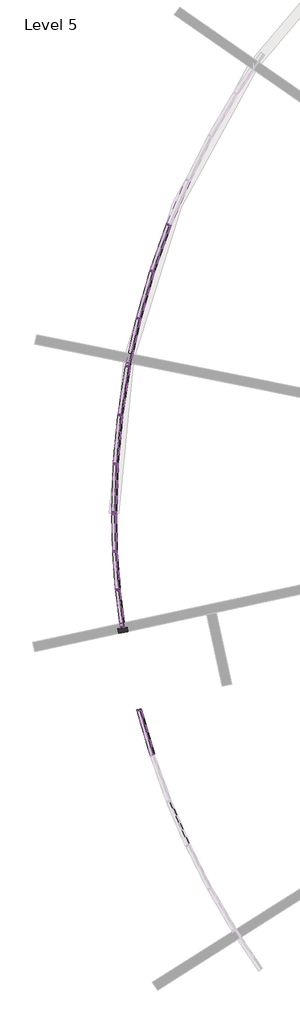
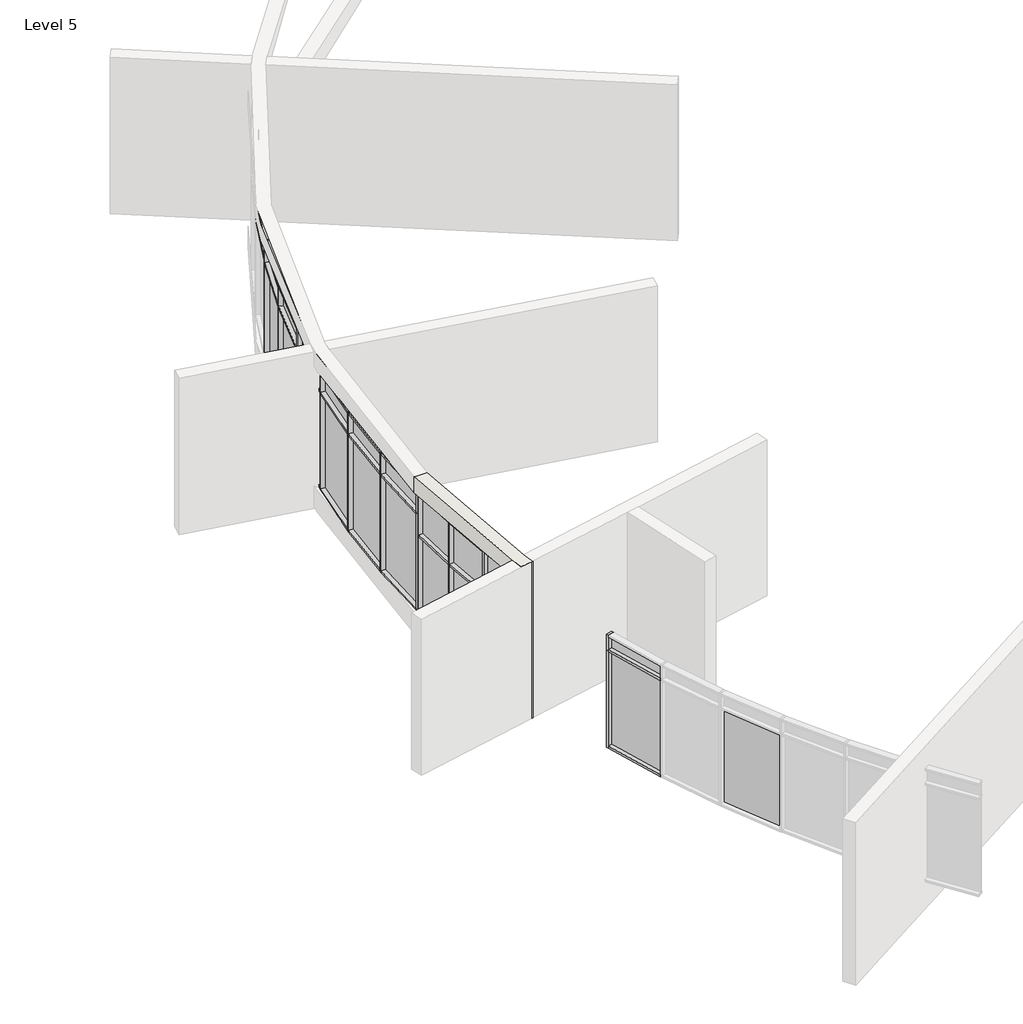
# One storey, part 3 of 10: 55 members, 21 plates, 1 wall.
"""IFC4 building model written with IfcOpenShell, lengths in millimetres."""

import ifcopenshell
import ifcopenshell.guid

model = None  # the IFC model being written
_history = None  # IfcOwnerHistory: only IFC2X3 demands one
_inside = {}  # id of a spatial element -> (the spatial element, [elements in it])
_under = {}  # id of a project, library or spatial element -> (it, [spatial elements below it])
_declared = {}  # id of a project -> (the project, [libraries it declares])
_typed = {}  # id of a type object -> (the type object, [elements of that type])
_made_of = {}  # id of a material, layer set ... -> (it, [elements and type objects made of it])


def new_model(schema):
    """Start an empty IFC model of exactly this schema.

    Asked for "IFC4X3", IfcOpenShell would pick the latest addendum, in which some entities
    have other attributes; the version numbers below select the first issue.
    IFC2X3 requires an IfcOwnerHistory on every rooted entity: one is made here for all.
    """
    global model, _history
    if schema == "IFC4X3":
        model = ifcopenshell.file(schema_version=(4, 3, 0, 0))
    else:
        model = ifcopenshell.file(schema=schema)
    _inside.clear()
    _under.clear()
    _declared.clear()
    _typed.clear()
    _made_of.clear()
    _history = None
    if model.schema == "IFC2X3":
        org = make("IfcOrganization", Name="unknown")
        user = make(
            "IfcPersonAndOrganization",
            ThePerson=make("IfcPerson", FamilyName="unknown"),
            TheOrganization=org,
        )
        app = make(
            "IfcApplication",
            ApplicationDeveloper=org,
            Version="unknown",
            ApplicationFullName="unknown",
            ApplicationIdentifier="unknown",
        )
        _history = make(
            "IfcOwnerHistory",
            OwningUser=user,
            OwningApplication=app,
            ChangeAction="ADDED",
            CreationDate=0,
        )
    return model


def make(cls, **values):
    """One entity of the class cls with the attributes given. An attribute that is None is left unset."""
    return model.create_entity(
        cls, **{name: value for name, value in values.items() if value is not None}
    )


def rooted(cls, **values):
    """An entity with a GlobalId (a new one), such as an element, a storey or a relation."""
    return make(cls, GlobalId=ifcopenshell.guid.new(), OwnerHistory=_history, **values)


def si_unit(unit_type, name, prefix=None):
    """IfcSIUnit, for example si_unit("LENGTHUNIT", "METRE", prefix="MILLI")."""
    return make("IfcSIUnit", UnitType=unit_type, Prefix=prefix, Name=name)


def assignment(units):
    """IfcUnitAssignment: the units of a project."""
    return None if units is None else make("IfcUnitAssignment", Units=units)


def point(xyz):
    """IfcCartesianPoint."""
    return None if xyz is None else make("IfcCartesianPoint", Coordinates=xyz)


def direction(xyz):
    """IfcDirection."""
    return None if xyz is None else make("IfcDirection", DirectionRatios=xyz)


def frame(location, z_axis=None, x_axis=None):
    """IfcAxis2Placement3D, a coordinate frame: its origin and axes. An axis left out is left unset."""
    return make(
        "IfcAxis2Placement3D",
        Location=point(location),
        Axis=direction(z_axis),
        RefDirection=direction(x_axis),
    )


def origin():
    """The frame at (0, 0, 0) with its axes left unset."""
    return frame((0.0, 0.0, 0.0))


def origin_with_axes():
    """The frame at (0, 0, 0) with the z axis (0, 0, 1) and the x axis (1, 0, 0) written out."""
    return frame((0.0, 0.0, 0.0), z_axis=(0.0, 0.0, 1.0), x_axis=(1.0, 0.0, 0.0))


def place(relative_to, where):
    """IfcLocalPlacement: puts the frame where relative to a parent placement (None: the world)."""
    return make(
        "IfcLocalPlacement", PlacementRelTo=relative_to, RelativePlacement=where
    )


def context(
    kind, dimensions, precision=None, world=None, true_north=None, identifier=None
):
    """IfcGeometricRepresentationContext, for example the 3D "Model" context."""
    return make(
        "IfcGeometricRepresentationContext",
        ContextIdentifier=identifier,
        ContextType=kind,
        CoordinateSpaceDimension=dimensions,
        Precision=precision,
        WorldCoordinateSystem=world,
        TrueNorth=true_north,
    )


def project(units=None, contexts=None):
    """IfcProject with its units and contexts."""
    return rooted(
        "IfcProject",
        Name="project",
        RepresentationContexts=contexts,
        UnitsInContext=assignment(units),
    )


def spatial(cls, under=None, at=None, **own):
    """A site, building, storey or space (cls), placed at a placement, below another one or the project."""
    s = rooted(cls, ObjectPlacement=at, **own)
    if under is not None:
        _under.setdefault(under.id(), (under, []))[1].append(s)
    return s


def polyline(points):
    """IfcPolyline through the points."""
    return make("IfcPolyline", Points=[point(p) for p in points])


def circle_curve(where, radius):
    """IfcCircle in the frame where."""
    return make("IfcCircle", Position=where, Radius=radius)


def outline(outer, holes=None, kind="AREA"):
    """IfcArbitraryClosedProfileDef: a profile drawn as a closed curve; with holes, ...WithVoids."""
    if holes is None:
        return make("IfcArbitraryClosedProfileDef", ProfileType=kind, OuterCurve=outer)
    return make(
        "IfcArbitraryProfileDefWithVoids",
        ProfileType=kind,
        OuterCurve=outer,
        InnerCurves=holes,
    )


def extrude(swept, where, along, depth):
    """IfcExtrudedAreaSolid: the profile swept, set in the frame where, extruded along a direction by depth."""
    return make(
        "IfcExtrudedAreaSolid",
        SweptArea=swept,
        Position=where,
        ExtrudedDirection=direction(along),
        Depth=depth,
    )


def shape(context_of_items, identifier, shape_type, items):
    """IfcShapeRepresentation: the items that make up one representation, for example the "Body"."""
    return make(
        "IfcShapeRepresentation",
        ContextOfItems=context_of_items,
        RepresentationIdentifier=identifier,
        RepresentationType=shape_type,
        Items=items,
    )


def source(mapping_origin, context_of_items, identifier, shape_type, items):
    """IfcRepresentationMap: a shape defined once, which mapped items show again and again."""
    return make(
        "IfcRepresentationMap",
        MappingOrigin=mapping_origin,
        MappedRepresentation=shape(context_of_items, identifier, shape_type, items),
    )


def transform(
    local_origin,
    x_axis=None,
    y_axis=None,
    z_axis=None,
    scale=None,
    scale2=None,
    scale3=None,
    uniform=True,
):
    """IfcCartesianTransformationOperator3D, or its non-uniform kind. x_axis, y_axis, z_axis: its Axis1, 2, 3."""
    if uniform:
        return make(
            "IfcCartesianTransformationOperator3D",
            Axis1=direction(x_axis),
            Axis2=direction(y_axis),
            LocalOrigin=point(local_origin),
            Scale=scale,
            Axis3=direction(z_axis),
        )
    return make(
        "IfcCartesianTransformationOperator3DnonUniform",
        Axis1=direction(x_axis),
        Axis2=direction(y_axis),
        LocalOrigin=point(local_origin),
        Scale=scale,
        Axis3=direction(z_axis),
        Scale2=scale2,
        Scale3=scale3,
    )


def mapped(mapping_source, mapping_target):
    """IfcMappedItem: shows the shape of a source again, moved by a transform."""
    return make(
        "IfcMappedItem", MappingSource=mapping_source, MappingTarget=mapping_target
    )


def made_of(thing, what):
    """Note that an element or type object is made of a material, layer set ...; save() writes the relation."""
    if what is not None:
        _made_of.setdefault(what.id(), (what, []))[1].append(thing)
    return thing


def element(
    cls,
    number,
    at=None,
    inside=None,
    cuts=None,
    type_object=None,
    material=None,
    context=None,
    identifier="Body",
    shape_type=None,
    held_by="IfcProductDefinitionShape",
    body=None,
    shapes=None,
    **own,
):
    """One element of the class cls, such as IfcWall. Its Tag is "e" and its number.

    at: its placement. inside: the storey or other place that contains it. cuts: it is an
    opening in that element (IfcRelVoidsElement). A single representation is given by context,
    identifier, shape_type and body (its items); several are given by shapes. held_by: the class
    of the entity that holds the representations. save() writes the other relations.
    """
    e = rooted(cls, Tag="e%d" % number, ObjectPlacement=at, **own)
    if body is not None:
        shapes = [shape(context, identifier, shape_type, body)]
    if shapes is not None:
        e.Representation = make(held_by, Representations=shapes)
    if inside is not None:
        _inside.setdefault(inside.id(), (inside, []))[1].append(e)
    if cuts is not None:
        rooted(
            "IfcRelVoidsElement", RelatingBuildingElement=cuts, RelatedOpeningElement=e
        )
    if type_object is not None:
        _typed.setdefault(type_object.id(), (type_object, []))[1].append(e)
    return made_of(e, material)


def aggregate(whole, parts):
    """IfcRelAggregates: a whole, such as a stair, and the parts it consists of."""
    return rooted("IfcRelAggregates", RelatingObject=whole, RelatedObjects=parts)


def save(model, path):
    """Write the relations noted so far, then the file.

    IfcRelAggregates (storeys below a building ...), IfcRelContainedInSpatialStructure (elements
    in a storey), IfcRelDefinesByType, IfcRelAssociatesMaterial and IfcRelDeclares: one each for
    every whole, place, type object, material and project.
    """
    for whole, parts in _under.values():
        aggregate(whole, parts)
    for where, things in _inside.values():
        rooted(
            "IfcRelContainedInSpatialStructure",
            RelatedElements=things,
            RelatingStructure=where,
        )
    for kind, things in _typed.values():
        rooted("IfcRelDefinesByType", RelatedObjects=things, RelatingType=kind)
    for what, things in _made_of.values():
        rooted("IfcRelAssociatesMaterial", RelatedObjects=things, RelatingMaterial=what)
    for by, libraries in _declared.values():
        rooted("IfcRelDeclares", RelatingContext=by, RelatedDefinitions=libraries)
    model.write(path)


def plane_surface(at):
    """IfcPlane: the flat surface through the origin of the frame at, square to its z axis."""
    return make("IfcPlane", Position=at)


def cylinder_surface(at, radius):
    """IfcCylindricalSurface: all points at the distance radius from the z axis of the frame at."""
    return make("IfcCylindricalSurface", Position=at, Radius=radius)


def revolved_surface(curve, axis_point, axis_direction):
    """IfcSurfaceOfRevolution: the curve turned about the line through axis_point along axis_direction."""
    return make(
        "IfcSurfaceOfRevolution",
        SweptCurve=make("IfcArbitraryOpenProfileDef", ProfileType="CURVE", Curve=curve),
        AxisPosition=make("IfcAxis1Placement", Location=point(axis_point), Axis=direction(axis_direction)),
    )


def advanced_brep(points, edges, surfaces, faces):
    """IfcAdvancedBrep: a solid bounded by faces that lie on surfaces and meet in shared edges.

    An edge is (start, end): straight between two places in points (the first is 0);
    or (start, end, curve); or (start, end, curve, False) where it runs against its curve.
    A face is (place in surfaces, loops), or (place, loops, False) where it looks against
    its surface's normal. A loop lists edges by number (the first is 1), with a minus sign
    where the edge is run from its end to its start. The first loop is the outer one.
    """
    corners = [point(p) for p in points]
    vertices = [make("IfcVertexPoint", VertexGeometry=c) for c in corners]
    made = []
    for start, end, *more in edges:
        made.append(
            make(
                "IfcEdgeCurve",
                EdgeStart=vertices[start],
                EdgeEnd=vertices[end],
                EdgeGeometry=more[0] if more else make("IfcPolyline", Points=[corners[start], corners[end]]),
                SameSense=more[1] if len(more) > 1 else True,
            )
        )
    hull = []
    for where, loops, *sense in faces:
        bounds = []
        for j, loop in enumerate(loops):
            ring = [make("IfcOrientedEdge", EdgeElement=made[abs(k) - 1], Orientation=k > 0) for k in loop]
            bounds.append(
                make(
                    "IfcFaceOuterBound" if j == 0 else "IfcFaceBound",
                    Bound=make("IfcEdgeLoop", EdgeList=ring),
                    Orientation=True,
                )
            )
        hull.append(make("IfcAdvancedFace", Bounds=bounds, FaceSurface=surfaces[where], SameSense=sense[0] if sense else True))
    return make("IfcAdvancedBrep", Outer=make("IfcClosedShell", CfsFaces=hull))


def rectangular_mullion_50_x_150mm_6225e4e3(model_context):
    return source(origin(), model_context, "Body", "SweptSolid", [
        extrude(outline(polyline([(25.0, 75.0), (25.0, -75.0), (-25.0, -75.0), (-25.0, 75.0), (25.0, 75.0)])), frame((0.0, 0.0, -2400.0), z_axis=(0.0, 0.0, 1.0), x_axis=(1.0, 0.0, 0.0)), (0.0, 0.0, 1.0), 2400.0),
    ])


def rectangular_mullion_50_x_150mm_662c37b1(model_context):
    return source(origin(), model_context, "Body", "SweptSolid", [
        extrude(outline(polyline([(0.0, 75.0), (0.0, -75.0), (-50.0, -75.0), (-50.0, 75.0), (0.0, 75.0)])), frame((0.0, 0.0, -2400.0), z_axis=(0.0, 0.0, 1.0), x_axis=(1.0, 0.0, 0.0)), (0.0, 0.0, 1.0), 2400.0),
    ])


def rectangular_mullion_50_x_150mm_b2f1eb9f(model_context):
    return source(origin(), model_context, "Body", "SweptSolid", [
        extrude(outline(polyline([(25.0, 75.0), (25.0, -75.0), (-25.0, -75.0), (-25.0, 75.0), (25.0, 75.0)])), frame((0.0, 0.0, -1062.1494736), z_axis=(0.0, 0.0, 1.0), x_axis=(1.0, 0.0, 0.0)), (0.0, 0.0, 1.0), 1062.1494736),
    ])


def rectangular_mullion_50_x_150mm_50095620(model_context):
    return source(origin(), model_context, "Body", "SweptSolid", [
        extrude(outline(polyline([(0.0, 75.0), (0.0, -75.0), (-50.0, -75.0), (-50.0, 75.0), (0.0, 75.0)])), frame((0.0, 0.0, -1062.1494736), z_axis=(0.0, 0.0, 1.0), x_axis=(1.0, 0.0, 0.0)), (0.0, 0.0, 1.0), 1062.1494736),
    ])


def rectangular_mullion_50_x_150mm_1ca5baa6(model_context):
    return source(origin(), model_context, "Body", "SweptSolid", [
        extrude(outline(polyline([(0.0, 75.0), (0.0, -75.0), (-50.0, -75.0), (-50.0, 75.0), (0.0, 75.0)])), frame((0.0, 0.0, -1146.6573503), z_axis=(0.0, 0.0, 1.0), x_axis=(1.0, 0.0, 0.0)), (0.0, 0.0, 1.0), 1146.6573503),
    ])


def rectangular_mullion_50_x_150mm_9555189a(model_context):
    return source(origin(), model_context, "Body", "SweptSolid", [
        extrude(outline(polyline([(0.0, 75.0), (0.0, -75.0), (-50.0, -75.0), (-50.0, 75.0), (0.0, 75.0)])), frame((0.0, 0.0, -1171.6573503), z_axis=(0.0, 0.0, 1.0), x_axis=(1.0, 0.0, 0.0)), (0.0, 0.0, 1.0), 1171.6573503),
    ])


def rectangular_mullion_50_x_150mm_cb6a9a8a(model_context):
    return source(origin(), model_context, "Body", "SweptSolid", [
        extrude(outline(polyline([(25.0, 75.0), (25.0, -75.0), (-25.0, -75.0), (-25.0, 75.0), (25.0, 75.0)])), frame((0.0, 0.0, -1146.6573503), z_axis=(0.0, 0.0, 1.0), x_axis=(1.0, 0.0, 0.0)), (0.0, 0.0, 1.0), 1146.6573503),
    ])


def rectangular_mullion_50_x_150mm_f96e37b4(model_context):
    return source(origin(), model_context, "Body", "SweptSolid", [
        extrude(outline(polyline([(25.0, 75.0), (25.0, -75.0), (-25.0, -75.0), (-25.0, 75.0), (25.0, 75.0)])), frame((0.0, 0.0, -1171.6573503), z_axis=(0.0, 0.0, 1.0), x_axis=(1.0, 0.0, 0.0)), (0.0, 0.0, 1.0), 1171.6573503),
    ])


def rectangular_mullion_50_x_150mm_3f658349(model_context):
    return source(origin(), model_context, "Body", "SweptSolid", [
        extrude(outline(polyline([(0.0, 75.0), (0.0, -75.0), (-50.0, -75.0), (-50.0, 75.0), (0.0, 75.0)])), frame((0.0, 0.0, -1461.638566), z_axis=(0.0, 0.0, 1.0), x_axis=(1.0, 0.0, 0.0)), (0.0, 0.0, 1.0), 1461.638566),
    ])


def rectangular_mullion_50_x_150mm_220dcb47(model_context):
    return source(origin(), model_context, "Body", "SweptSolid", [
        extrude(outline(polyline([(0.0, 75.0), (0.0, -75.0), (-50.0, -75.0), (-50.0, 75.0), (0.0, 75.0)])), frame((0.0, 0.0, -1514.02512), z_axis=(0.0, 0.0, 1.0), x_axis=(1.0, 0.0, 0.0)), (0.0, 0.0, 1.0), 1514.02512),
    ])


def rectangular_mullion_50_x_150mm_da748a30(model_context):
    return source(origin(), model_context, "Body", "SweptSolid", [
        extrude(outline(polyline([(0.0, 75.0), (0.0, -75.0), (-50.0, -75.0), (-50.0, 75.0), (0.0, 75.0)])), frame((0.0, 0.0, -1489.02512), z_axis=(0.0, 0.0, 1.0), x_axis=(1.0, 0.0, 0.0)), (0.0, 0.0, 1.0), 1489.02512),
    ])


def rectangular_mullion_50_x_150mm_5d00c975(model_context):
    return source(origin(), model_context, "Body", "SweptSolid", [
        extrude(outline(polyline([(25.0, 75.0), (25.0, -75.0), (-25.0, -75.0), (-25.0, 75.0), (25.0, 75.0)])), frame((0.0, 0.0, -1461.638566), z_axis=(0.0, 0.0, 1.0), x_axis=(1.0, 0.0, 0.0)), (0.0, 0.0, 1.0), 1461.638566),
    ])


def rectangular_mullion_50_x_150mm_1ae9ba8d(model_context):
    return source(origin(), model_context, "Body", "SweptSolid", [
        extrude(outline(polyline([(0.0, 75.0), (0.0, -75.0), (-50.0, -75.0), (-50.0, 75.0), (0.0, 75.0)])), frame((0.0, 0.0, -377.1504642), z_axis=(0.0, 0.0, 1.0), x_axis=(1.0, 0.0, 0.0)), (0.0, 0.0, 1.0), 377.1504642),
    ])


def rectangular_mullion_50_x_150mm_09008a6a(model_context):
    return source(origin(), model_context, "Body", "SweptSolid", [
        extrude(outline(polyline([(25.0, 75.0), (25.0, -75.0), (-25.0, -75.0), (-25.0, 75.0), (25.0, 75.0)])), frame((0.0, 0.0, -1514.02512), z_axis=(0.0, 0.0, 1.0), x_axis=(1.0, 0.0, 0.0)), (0.0, 0.0, 1.0), 1514.02512),
    ])


def rectangular_mullion_50_x_150mm_fea02a66(model_context):
    return source(origin(), model_context, "Body", "SweptSolid", [
        extrude(outline(polyline([(25.0, 75.0), (25.0, -75.0), (-25.0, -75.0), (-25.0, 75.0), (25.0, 75.0)])), frame((0.0, 0.0, -1489.02512), z_axis=(0.0, 0.0, 1.0), x_axis=(1.0, 0.0, 0.0)), (0.0, 0.0, 1.0), 1489.02512),
    ])


def rectangular_mullion_50_x_150mm_705091fc(model_context):
    return source(origin(), model_context, "Body", "SweptSolid", [
        extrude(outline(polyline([(25.0, 75.0), (25.0, -75.0), (-25.0, -75.0), (-25.0, 75.0), (25.0, 75.0)])), frame((0.0, 0.0, -550.0548808), z_axis=(0.0, 0.0, 1.0), x_axis=(1.0, 0.0, 0.0)), (0.0, 0.0, 1.0), 550.0548808),
    ])


def rectangular_mullion_50_x_150mm_7481de18(model_context):
    return source(origin(), model_context, "Body", "SweptSolid", [
        extrude(outline(polyline([(0.0, 75.0), (0.0, -75.0), (-50.0, -75.0), (-50.0, 75.0), (0.0, 75.0)])), frame((0.0, 0.0, -550.0548808), z_axis=(0.0, 0.0, 1.0), x_axis=(1.0, 0.0, 0.0)), (0.0, 0.0, 1.0), 550.0548808),
    ])


def system_panel_glazed_082091c3(model_context):
    return source(origin(), model_context, "Body", "SweptSolid", [
        extrude(outline(polyline([(573.3286751, 24.5), (-573.3286751, 24.5), (-573.3286751, 49.5), (573.3286751, 49.5), (573.3286751, 24.5)])), origin_with_axes(), (0.0, 0.0, 1.0), 2325.0),
    ])


def system_panel_glazed_c5723fb7(model_context):
    return source(origin(), model_context, "Body", "SweptSolid", [
        extrude(outline(polyline([(585.8286751, 24.5), (-585.8286751, 24.5), (-585.8286751, 49.5), (585.8286751, 49.5), (585.8286751, 24.5)])), origin_with_axes(), (0.0, 0.0, 1.0), 2325.0),
    ])


def system_panel_glazed_dd393980(model_context):
    return source(origin(), model_context, "Body", "SweptSolid", [
        extrude(outline(polyline([(573.3286751, 24.5), (-573.3286751, 24.5), (-573.3286751, 49.5), (573.3286751, 49.5), (573.3286751, 24.5)])), origin_with_axes(), (0.0, 0.0, 1.0), 987.1494736),
    ])


def system_panel_glazed_0bb8092f(model_context):
    return source(origin(), model_context, "Body", "SweptSolid", [
        extrude(outline(polyline([(585.8286751, 24.5), (-585.8286751, 24.5), (-585.8286751, 49.5), (585.8286751, 49.5), (585.8286751, 24.5)])), origin_with_axes(), (0.0, 0.0, 1.0), 987.1494736),
    ])


def system_panel_glazed_01d78c24(model_context):
    return source(origin(), model_context, "Body", "SweptSolid", [
        extrude(outline(polyline([(743.319283, 24.5), (-743.319283, 24.5), (-743.319283, 49.5), (743.319283, 49.5), (743.319283, 24.5)])), origin_with_axes(), (0.0, 0.0, 1.0), 2325.0),
    ])


def system_panel_glazed_89620687(model_context):
    return source(origin(), model_context, "Body", "SweptSolid", [
        extrude(outline(polyline([(730.8192828, 24.5), (-730.8192828, 24.5), (-730.8192828, 49.5), (730.8192828, 49.5), (730.8192828, 24.5)])), origin_with_axes(), (0.0, 0.0, 1.0), 2325.0),
    ])


def system_panel_glazed_2c05ca34(model_context):
    return source(origin(), model_context, "Body", "SweptSolid", [
        extrude(outline(polyline([(757.01256, 24.5), (-757.01256, 24.5), (-757.01256, 49.5), (757.01256, 49.5), (757.01256, 24.5)])), origin_with_axes(), (0.0, 0.0, 1.0), 2325.0),
    ])


def system_panel_glazed_ab182dcd(model_context):
    return source(origin(), model_context, "Body", "SweptSolid", [
        extrude(outline(polyline([(744.5125599, 24.5), (-744.5125599, 24.5), (-744.5125599, 49.5), (744.5125599, 49.5), (744.5125599, 24.5)])), origin_with_axes(), (0.0, 0.0, 1.0), 2325.0),
    ])


def system_panel_glazed_f6054ea4(model_context):
    return source(origin(), model_context, "Body", "SweptSolid", [
        extrude(outline(polyline([(730.819283, 24.5), (-730.819283, 24.5), (-730.819283, 49.5), (730.819283, 49.5), (730.819283, 24.5)])), origin_with_axes(), (0.0, 0.0, 1.0), 302.1504642),
    ])


def system_panel_glazed_fd295b00(model_context):
    return source(origin(), model_context, "Body", "SweptSolid", [
        extrude(outline(polyline([(757.01256, 24.5), (-757.01256, 24.5), (-757.01256, 49.5), (757.01256, 49.5), (757.01256, 24.5)])), origin_with_axes(), (0.0, 0.0, 1.0), 475.0548808),
    ])


def system_panel_glazed_88f9aad1(model_context):
    return source(origin(), model_context, "Body", "SweptSolid", [
        extrude(outline(polyline([(744.51256, 24.5), (-744.51256, 24.5), (-744.51256, 49.5), (744.51256, 49.5), (744.51256, 24.5)])), origin_with_axes(), (0.0, 0.0, 1.0), 475.0548808),
    ])


model = new_model("IFC4")

# Units and contexts
model_context = context("Model", 3, world=origin())
ifc_project = project(units=[si_unit("LENGTHUNIT", "METRE", prefix="MILLI")], contexts=[model_context])

# Site, building, storey
site = spatial("IfcSite", under=ifc_project)
building = spatial("IfcBuilding", under=site)
storey = spatial("IfcBuildingStorey", under=building, Name="Level 5", Elevation=14600.0)

# Members
placement = place(None, origin())
rectangular_mullion_50_x_150mm_shape = rectangular_mullion_50_x_150mm_6225e4e3(model_context)
element("IfcMember", 1, ObjectType="Rectangular Mullion : 50 x 150mm", at=placement, inside=storey, context=model_context, shape_type="MappedRepresentation", body=[
    mapped(rectangular_mullion_50_x_150mm_shape, transform((-32052.9791904, -44856.5297202, 15112.0945928), x_axis=(-0.3666700734589085, -0.9303510397853267, 0.0), y_axis=(-0.9303510397853267, 0.3666700734589085, 0.0), z_axis=(0.0, 0.0, -1.0))),
])
element("IfcMember", 2, ObjectType="Rectangular Mullion : 50 x 150mm", at=placement, inside=storey, context=model_context, shape_type="MappedRepresentation", body=[
    mapped(rectangular_mullion_50_x_150mm_shape, transform((-32580.6637391, -46328.8488408, 15112.0945928), x_axis=(-0.30777730863495784, -0.9514584217344559, 0.0), y_axis=(-0.9514584217344559, 0.30777730863495784, 0.0), z_axis=(0.0, 0.0, -1.0))),
])
element("IfcMember", 3, ObjectType="Rectangular Mullion : 50 x 150mm", at=placement, inside=storey, context=model_context, shape_type="MappedRepresentation", body=[
    mapped(rectangular_mullion_50_x_150mm_shape, transform((-33015.2509518, -47831.2830424, 15112.0945928), x_axis=(-0.24767994056715922, -0.9688419102416289, 0.0), y_axis=(-0.9688419102416289, 0.24767994056715922, 0.0), z_axis=(0.0, 0.0, -1.0))),
])
element("IfcMember", 4, ObjectType="Rectangular Mullion : 50 x 150mm", at=placement, inside=storey, context=model_context, shape_type="MappedRepresentation", body=[
    mapped(rectangular_mullion_50_x_150mm_shape, transform((-33355.0399065, -49357.9519791, 15112.0945928), x_axis=(-0.1866131831016589, -0.9824334684306448, 0.0), y_axis=(-0.9824334684306448, 0.1866131831016589, 0.0), z_axis=(0.0, 0.0, -1.0))),
])
element("IfcMember", 5, ObjectType="Rectangular Mullion : 50 x 150mm", at=placement, inside=storey, context=model_context, shape_type="MappedRepresentation", body=[
    mapped(rectangular_mullion_50_x_150mm_shape, transform((-33598.7007103, -50902.8804527, 15112.0945928), x_axis=(-0.12481604415772596, -0.9921799005829621, 0.0), y_axis=(-0.9921799005829621, 0.12481604415772596, 0.0), z_axis=(0.0, 0.0, -1.0))),
])
element("IfcMember", 6, ObjectType="Rectangular Mullion : 50 x 150mm", at=placement, inside=storey, context=model_context, shape_type="MappedRepresentation", body=[
    mapped(rectangular_mullion_50_x_150mm_shape, transform((-33745.2797042, -52460.0217996, 15112.0945928), x_axis=(-0.06253039027959117, -0.9980430603393233, 0.0), y_axis=(-0.9980430603393233, 0.06253039027959117, 0.0), z_axis=(0.0, 0.0, -1.0))),
])
element("IfcMember", 7, ObjectType="Rectangular Mullion : 50 x 150mm", at=placement, inside=storey, context=model_context, shape_type="MappedRepresentation", body=[
    mapped(rectangular_mullion_50_x_150mm_shape, transform((-33764.3542621, -55244.5742008, 14600.0), x_axis=(0.04885170576604763, -0.9988060426548027, 0.0), y_axis=(-0.9988060426548027, -0.04885170576604763, 0.0), z_axis=(0.0, 0.0, -1.0))),
])
element("IfcMember", 8, ObjectType="Rectangular Mullion : 50 x 150mm", at=placement, inside=storey, context=model_context, shape_type="MappedRepresentation", body=[
    mapped(rectangular_mullion_50_x_150mm_shape, transform((-33674.8787379, -56462.9505023, 14600.0), x_axis=(0.09758675782624157, -0.9952270216874954, 0.0), y_axis=(-0.9952270216874954, -0.09758675782624157, 0.0), z_axis=(0.0, 0.0, -1.0))),
])
rectangular_mullion_50_x_150mm_2_shape = rectangular_mullion_50_x_150mm_662c37b1(model_context)
element("IfcMember", 9, ObjectType="Rectangular Mullion : 50 x 150mm", at=placement, inside=storey, context=model_context, shape_type="MappedRepresentation", body=[
    mapped(rectangular_mullion_50_x_150mm_2_shape, transform((-33794.2031957, -54023.2815566, 15112.0945928), x_axis=(-0.03128050239907259, -0.9995106453508446, 0.0), y_axis=(-0.9995106453508446, 0.03128050239907259, 0.0), z_axis=(0.0, 0.0, -1.0))),
])
element("IfcMember", 10, ObjectType="Rectangular Mullion : 50 x 150mm", at=placement, inside=storey, context=model_context, shape_type="MappedRepresentation", body=[
    mapped(rectangular_mullion_50_x_150mm_2_shape, transform((-33525.9902831, -57675.5010825, 14600.0), x_axis=(0.12187415299594077, -0.9925455610859998, 0.0), y_axis=(-0.9925455610859998, -0.12187415299594077, 0.0), z_axis=(0.0, 0.0, -1.0))),
])
element("IfcMember", 11, ObjectType="Rectangular Mullion : 50 x 150mm", at=placement, inside=storey, context=model_context, shape_type="MappedRepresentation", body=[
    mapped(rectangular_mullion_50_x_150mm_2_shape, transform((-33794.2031957, -54023.2815566, 17000.0), x_axis=(-0.024433147005630557, 0.9997014661024568, 0.0), y_axis=(-0.9997014661024568, -0.024433147005630557, 0.0), z_axis=(0.0, 0.0, 1.0))),
])
element("IfcMember", 12, ObjectType="Rectangular Mullion : 50 x 150mm", at=placement, inside=storey, context=model_context, shape_type="MappedRepresentation", body=[
    mapped(rectangular_mullion_50_x_150mm_2_shape, transform((-33002.9910589, -60263.0403816, 17684.9990095), x_axis=(-0.2792325813598616, 0.960223497685361, 0.0), y_axis=(-0.960223497685361, -0.2792325813598616, 0.0), z_axis=(0.0, 0.0, 1.0))),
])
rectangular_mullion_50_x_150mm_3_shape = rectangular_mullion_50_x_150mm_b2f1eb9f(model_context)
element("IfcMember", 13, ObjectType="Rectangular Mullion : 50 x 150mm", at=placement, inside=storey, context=model_context, shape_type="MappedRepresentation", body=[
    mapped(rectangular_mullion_50_x_150mm_3_shape, transform((-33764.3542621, -55244.5742008, 17000.0), x_axis=(0.04885170576604763, -0.9988060426548027, 0.0), y_axis=(-0.9988060426548027, -0.04885170576604763, 0.0), z_axis=(0.0, 0.0, -1.0))),
])
element("IfcMember", 14, ObjectType="Rectangular Mullion : 50 x 150mm", at=placement, inside=storey, context=model_context, shape_type="MappedRepresentation", body=[
    mapped(rectangular_mullion_50_x_150mm_3_shape, transform((-33674.8787379, -56462.9505023, 17000.0), x_axis=(0.09758675782624203, -0.9952270216874954, 0.0), y_axis=(-0.9952270216874954, -0.09758675782624203, 0.0), z_axis=(0.0, 0.0, -1.0))),
])
rectangular_mullion_50_x_150mm_4_shape = rectangular_mullion_50_x_150mm_50095620(model_context)
element("IfcMember", 15, ObjectType="Rectangular Mullion : 50 x 150mm", at=placement, inside=storey, context=model_context, shape_type="MappedRepresentation", body=[
    mapped(rectangular_mullion_50_x_150mm_4_shape, transform((-33525.9902831, -57675.5010825, 17000.0), x_axis=(0.12187415299594079, -0.9925455610859998, 0.0), y_axis=(-0.9925455610859998, -0.12187415299594079, 0.0), z_axis=(0.0, 0.0, -1.0))),
])
element("IfcMember", 16, ObjectType="Rectangular Mullion : 50 x 150mm", at=placement, inside=storey, context=model_context, shape_type="MappedRepresentation", body=[
    mapped(rectangular_mullion_50_x_150mm_4_shape, transform((-33794.2031957, -54023.2815566, 18062.1494736), x_axis=(-0.02443314700563056, 0.9997014661024568, 0.0), y_axis=(-0.9997014661024568, -0.02443314700563056, 0.0), z_axis=(0.0, 0.0, 1.0))),
])
rectangular_mullion_50_x_150mm_5_shape = rectangular_mullion_50_x_150mm_1ca5baa6(model_context)
element("IfcMember", 17, ObjectType="Rectangular Mullion : 50 x 150mm", at=placement, inside=storey, context=model_context, shape_type="MappedRepresentation", body=[
    mapped(rectangular_mullion_50_x_150mm_5_shape, transform((-33764.9650908, -55219.5816641, 18062.1494736), x_axis=(0.0, 0.0, 1.0), y_axis=(-0.9997014661024568, -0.024433147005630384, 0.0), z_axis=(0.024433147005630384, -0.9997014661024568, 0.0))),
])
rectangular_mullion_50_x_150mm_6_shape = rectangular_mullion_50_x_150mm_9555189a(model_context)
element("IfcMember", 18, ObjectType="Rectangular Mullion : 50 x 150mm", at=placement, inside=storey, context=model_context, shape_type="MappedRepresentation", body=[
    mapped(rectangular_mullion_50_x_150mm_6_shape, transform((-33676.7097653, -56438.0176457, 18062.1494736), x_axis=(0.0, 0.0, 1.0), y_axis=(-0.9973142642855419, -0.07324109674621497, 0.0), z_axis=(0.07324109674621497, -0.9973142642855419, 0.0))),
])
element("IfcMember", 19, ObjectType="Rectangular Mullion : 50 x 150mm", at=placement, inside=storey, context=model_context, shape_type="MappedRepresentation", body=[
    mapped(rectangular_mullion_50_x_150mm_5_shape, transform((-33792.9815384, -54073.2666299, 14600.0), x_axis=(0.0, 0.0, -1.0), y_axis=(-0.9997014661024568, -0.024433147005630384, 0.0), z_axis=(-0.024433147005630384, 0.9997014661024568, 0.0))),
])
element("IfcMember", 20, ObjectType="Rectangular Mullion : 50 x 150mm", at=placement, inside=storey, context=model_context, shape_type="MappedRepresentation", body=[
    mapped(rectangular_mullion_50_x_150mm_6_shape, transform((-33762.5232347, -55269.5070574, 14600.0), x_axis=(0.0, 0.0, -1.0), y_axis=(-0.9973142642855418, -0.07324109674621548, 0.0), z_axis=(-0.07324109674621547, 0.9973142642855417, 0.0))),
])
rectangular_mullion_50_x_150mm_7_shape = rectangular_mullion_50_x_150mm_cb6a9a8a(model_context)
element("IfcMember", 21, ObjectType="Rectangular Mullion : 50 x 150mm", at=placement, inside=storey, context=model_context, shape_type="MappedRepresentation", body=[
    mapped(rectangular_mullion_50_x_150mm_7_shape, transform((-33764.9650908, -55219.5816641, 17000.0), x_axis=(0.0, 0.0, 1.0), y_axis=(-0.9997014661024568, -0.024433147005630384, 0.0), z_axis=(0.024433147005630384, -0.9997014661024568, 0.0))),
])
rectangular_mullion_50_x_150mm_8_shape = rectangular_mullion_50_x_150mm_f96e37b4(model_context)
element("IfcMember", 22, ObjectType="Rectangular Mullion : 50 x 150mm", at=placement, inside=storey, context=model_context, shape_type="MappedRepresentation", body=[
    mapped(rectangular_mullion_50_x_150mm_8_shape, transform((-33676.7097653, -56438.0176457, 17000.0), x_axis=(0.0, 0.0, 1.0), y_axis=(-0.9973142642855419, -0.07324109674621497, 0.0), z_axis=(0.07324109674621497, -0.9973142642855419, 0.0))),
])
element("IfcMember", 23, ObjectType="Rectangular Mullion : 50 x 150mm", at=placement, inside=storey, context=model_context, shape_type="MappedRepresentation", body=[
    mapped(rectangular_mullion_50_x_150mm_5_shape, transform((-33671.8318841, -56487.7641413, 14600.0), x_axis=(0.0, 0.0, -1.0), y_axis=(-0.9925455610859998, -0.12187415299594079, 0.0), z_axis=(-0.12187415299594079, 0.9925455610859998, 0.0))),
])
element("IfcMember", 24, ObjectType="Rectangular Mullion : 50 x 150mm", at=placement, inside=storey, context=model_context, shape_type="MappedRepresentation", body=[
    mapped(rectangular_mullion_50_x_150mm_7_shape, transform((-33532.0839907, -57625.8738044, 17000.0), x_axis=(0.0, 0.0, 1.0), y_axis=(-0.9925455610859996, -0.12187415299594162, 0.0), z_axis=(0.12187415299594165, -0.9925455610859998, 0.0))),
])
element("IfcMember", 25, ObjectType="Rectangular Mullion : 50 x 150mm", at=placement, inside=storey, context=model_context, shape_type="MappedRepresentation", body=[
    mapped(rectangular_mullion_50_x_150mm_5_shape, transform((-33532.0839907, -57625.8738044, 18062.1494736), x_axis=(0.0, 0.0, 1.0), y_axis=(-0.9925455610859996, -0.12187415299594162, 0.0), z_axis=(0.12187415299594165, -0.9925455610859998, 0.0))),
])
rectangular_mullion_50_x_150mm_9_shape = rectangular_mullion_50_x_150mm_3f658349(model_context)
element("IfcMember", 26, ObjectType="Rectangular Mullion : 50 x 150mm", at=placement, inside=storey, context=model_context, shape_type="MappedRepresentation", body=[
    mapped(rectangular_mullion_50_x_150mm_9_shape, transform((-32989.0294299, -60311.0515565, 15284.9990095), x_axis=(0.0, 0.0, -1.0), y_axis=(-0.9602234976853613, -0.27923258135986045, 0.0), z_axis=(-0.27923258135986045, 0.9602234976853613, 0.0))),
])
rectangular_mullion_50_x_150mm_10_shape = rectangular_mullion_50_x_150mm_220dcb47(model_context)
element("IfcMember", 27, ObjectType="Rectangular Mullion : 50 x 150mm", at=placement, inside=storey, context=model_context, shape_type="MappedRepresentation", body=[
    mapped(rectangular_mullion_50_x_150mm_10_shape, transform((-32061.4139102, -44880.063855, 15112.0945928), x_axis=(0.0, 0.0, -1.0), y_axis=(-0.9413653922911608, 0.3373887938217705, 0.0), z_axis=(0.3373887938217705, 0.9413653922911608, 0.0))),
])
element("IfcMember", 28, ObjectType="Rectangular Mullion : 50 x 150mm", at=placement, inside=storey, context=model_context, shape_type="MappedRepresentation", body=[
    mapped(rectangular_mullion_50_x_150mm_10_shape, transform((-32587.6103541, -46352.864347, 15112.0945928), x_axis=(0.0, 0.0, -1.0), y_axis=(-0.9606202499734388, 0.2778645989343877, 0.0), z_axis=(0.2778645989343877, 0.9606202499734388, 0.0))),
])
element("IfcMember", 29, ObjectType="Rectangular Mullion : 50 x 150mm", at=placement, inside=storey, context=model_context, shape_type="MappedRepresentation", body=[
    mapped(rectangular_mullion_50_x_150mm_10_shape, transform((-33020.6822737, -47855.6859263, 15112.0945928), x_axis=(0.0, 0.0, -1.0), y_axis=(-0.976115355923669, 0.21725287553910294, 0.0), z_axis=(0.2172528755391029, 0.9761153559236689, 0.0))),
])
element("IfcMember", 30, ObjectType="Rectangular Mullion : 50 x 150mm", at=placement, inside=storey, context=model_context, shape_type="MappedRepresentation", body=[
    mapped(rectangular_mullion_50_x_150mm_10_shape, transform((-33358.9346778, -49382.6467307, 15112.0945928), x_axis=(0.0, 0.0, -1.0), y_axis=(-0.987790064167093, 0.155790850606736, 0.0), z_axis=(0.15579085060673598, 0.9877900641670929, 0.0))),
])
element("IfcMember", 31, ObjectType="Rectangular Mullion : 50 x 150mm", at=placement, inside=storey, context=model_context, shape_type="MappedRepresentation", body=[
    mapped(rectangular_mullion_50_x_150mm_10_shape, transform((-33601.0436873, -50927.7704197, 15112.0945928), x_axis=(0.0, 0.0, -1.0), y_axis=(-0.9955986813045316, 0.09371907908573393, 0.0), z_axis=(0.09371907908573393, 0.9955986813045316, 0.0))),
])
rectangular_mullion_50_x_150mm_11_shape = rectangular_mullion_50_x_150mm_da748a30(model_context)
element("IfcMember", 32, ObjectType="Rectangular Mullion : 50 x 150mm", at=placement, inside=storey, context=model_context, shape_type="MappedRepresentation", body=[
    mapped(rectangular_mullion_50_x_150mm_11_shape, transform((-33746.0617168, -52485.0095658, 15112.0945928), x_axis=(0.0, 0.0, -1.0), y_axis=(-0.9995106453508446, 0.03128050239907259, 0.0), z_axis=(0.03128050239907259, 0.9995106453508446, 0.0))),
])
rectangular_mullion_50_x_150mm_12_shape = rectangular_mullion_50_x_150mm_5d00c975(model_context)
element("IfcMember", 33, ObjectType="Rectangular Mullion : 50 x 150mm", at=placement, inside=storey, context=model_context, shape_type="MappedRepresentation", body=[
    mapped(rectangular_mullion_50_x_150mm_12_shape, transform((-32580.8923201, -61714.5512527, 17684.9990095), x_axis=(0.0, 0.0, 1.0), y_axis=(-0.960223497685361, -0.27923258135986156, 0.0), z_axis=(0.2792325813598615, -0.9602234976853609, 0.0))),
])
rectangular_mullion_50_x_150mm_13_shape = rectangular_mullion_50_x_150mm_1ae9ba8d(model_context)
element("IfcMember", 34, ObjectType="Rectangular Mullion : 50 x 150mm", at=placement, inside=storey, context=model_context, shape_type="MappedRepresentation", body=[
    mapped(rectangular_mullion_50_x_150mm_13_shape, transform((-33002.9910589, -60263.0403816, 18062.1494736), x_axis=(-0.2792325813598616, 0.960223497685361, 0.0), y_axis=(-0.960223497685361, -0.2792325813598616, 0.0), z_axis=(0.0, 0.0, 1.0))),
])
element("IfcMember", 35, ObjectType="Rectangular Mullion : 50 x 150mm", at=placement, inside=storey, context=model_context, shape_type="MappedRepresentation", body=[
    mapped(rectangular_mullion_50_x_150mm_11_shape, transform((-33792.6391706, -53973.3060244, 18062.1494736), x_axis=(0.0, 0.0, 1.0), y_axis=(-0.9995106453508446, 0.03128050239907276, 0.0), z_axis=(-0.03128050239907276, -0.9995106453508446, 0.0))),
])
element("IfcMember", 36, ObjectType="Rectangular Mullion : 50 x 150mm", at=placement, inside=storey, context=model_context, shape_type="MappedRepresentation", body=[
    mapped(rectangular_mullion_50_x_150mm_10_shape, transform((-32043.0893781, -44833.5690666, 18062.1494736), x_axis=(0.0, 0.0, 1.0), y_axis=(-0.9184261440661564, 0.395592489685752, 0.0), z_axis=(-0.39559248968575195, -0.9184261440661563, 0.0))),
])
element("IfcMember", 37, ObjectType="Rectangular Mullion : 50 x 150mm", at=placement, inside=storey, context=model_context, shape_type="MappedRepresentation", body=[
    mapped(rectangular_mullion_50_x_150mm_10_shape, transform((-32572.2290192, -46305.3147059, 18062.1494736), x_axis=(0.0, 0.0, 1.0), y_axis=(-0.9413653922911605, 0.33738879382177117, 0.0), z_axis=(-0.33738879382177117, -0.9413653922911605, 0.0))),
])
element("IfcMember", 38, ObjectType="Rectangular Mullion : 50 x 150mm", at=placement, inside=storey, context=model_context, shape_type="MappedRepresentation", body=[
    mapped(rectangular_mullion_50_x_150mm_10_shape, transform((-33008.3043368, -47807.2675362, 18062.1494736), x_axis=(0.0, 0.0, 1.0), y_axis=(-0.9606202499734391, 0.2778645989343867, 0.0), z_axis=(-0.27786459893438664, -0.960620249973439, 0.0))),
])
element("IfcMember", 39, ObjectType="Rectangular Mullion : 50 x 150mm", at=placement, inside=storey, context=model_context, shape_type="MappedRepresentation", body=[
    mapped(rectangular_mullion_50_x_150mm_10_shape, transform((-33349.6085846, -49333.5490952, 18062.1494736), x_axis=(0.0, 0.0, 1.0), y_axis=(-0.9761153559236694, 0.21725287553910144, 0.0), z_axis=(-0.21725287553910144, -0.9761153559236694, 0.0))),
])
element("IfcMember", 40, ObjectType="Rectangular Mullion : 50 x 150mm", at=placement, inside=storey, context=model_context, shape_type="MappedRepresentation", body=[
    mapped(rectangular_mullion_50_x_150mm_10_shape, transform((-33594.805939, -50878.1857011, 18062.1494736), x_axis=(0.0, 0.0, 1.0), y_axis=(-0.9877900641670929, 0.15579085060673697, 0.0), z_axis=(-0.15579085060673695, -0.9877900641670927, 0.0))),
])
element("IfcMember", 41, ObjectType="Rectangular Mullion : 50 x 150mm", at=placement, inside=storey, context=model_context, shape_type="MappedRepresentation", body=[
    mapped(rectangular_mullion_50_x_150mm_10_shape, transform((-33742.9367272, -52435.1318326, 18062.1494736), x_axis=(0.0, 0.0, 1.0), y_axis=(-0.9955986813045316, 0.09371907908573342, 0.0), z_axis=(-0.09371907908573342, -0.9955986813045316, 0.0))),
])
rectangular_mullion_50_x_150mm_14_shape = rectangular_mullion_50_x_150mm_09008a6a(model_context)
element("IfcMember", 42, ObjectType="Rectangular Mullion : 50 x 150mm", at=placement, inside=storey, context=model_context, shape_type="MappedRepresentation", body=[
    mapped(rectangular_mullion_50_x_150mm_14_shape, transform((-32043.0893781, -44833.5690666, 17512.0945928), x_axis=(0.0, 0.0, 1.0), y_axis=(-0.9184261440661565, 0.39559248968575167, 0.0), z_axis=(-0.39559248968575167, -0.9184261440661565, 0.0))),
])
element("IfcMember", 43, ObjectType="Rectangular Mullion : 50 x 150mm", at=placement, inside=storey, context=model_context, shape_type="MappedRepresentation", body=[
    mapped(rectangular_mullion_50_x_150mm_14_shape, transform((-32572.2290192, -46305.3147059, 17512.0945928), x_axis=(0.0, 0.0, 1.0), y_axis=(-0.9413653922911609, 0.3373887938217701, 0.0), z_axis=(-0.33738879382177006, -0.9413653922911608, 0.0))),
])
element("IfcMember", 44, ObjectType="Rectangular Mullion : 50 x 150mm", at=placement, inside=storey, context=model_context, shape_type="MappedRepresentation", body=[
    mapped(rectangular_mullion_50_x_150mm_14_shape, transform((-33008.3043368, -47807.2675362, 17512.0945928), x_axis=(0.0, 0.0, 1.0), y_axis=(-0.9606202499734391, 0.2778645989343867, 0.0), z_axis=(-0.27786459893438664, -0.960620249973439, 0.0))),
])
element("IfcMember", 45, ObjectType="Rectangular Mullion : 50 x 150mm", at=placement, inside=storey, context=model_context, shape_type="MappedRepresentation", body=[
    mapped(rectangular_mullion_50_x_150mm_14_shape, transform((-33349.6085846, -49333.5490952, 17512.0945928), x_axis=(0.0, 0.0, 1.0), y_axis=(-0.9761153559236694, 0.21725287553910144, 0.0), z_axis=(-0.21725287553910144, -0.9761153559236694, 0.0))),
])
element("IfcMember", 46, ObjectType="Rectangular Mullion : 50 x 150mm", at=placement, inside=storey, context=model_context, shape_type="MappedRepresentation", body=[
    mapped(rectangular_mullion_50_x_150mm_14_shape, transform((-33594.805939, -50878.1857011, 17512.0945928), x_axis=(0.0, 0.0, 1.0), y_axis=(-0.9877900641670926, 0.1557908506067387, 0.0), z_axis=(-0.15579085060673867, -0.9877900641670925, 0.0))),
])
element("IfcMember", 47, ObjectType="Rectangular Mullion : 50 x 150mm", at=placement, inside=storey, context=model_context, shape_type="MappedRepresentation", body=[
    mapped(rectangular_mullion_50_x_150mm_14_shape, transform((-33742.9367272, -52435.1318326, 17512.0945928), x_axis=(0.0, 0.0, 1.0), y_axis=(-0.9955986813045313, 0.09371907908573512, 0.0), z_axis=(-0.09371907908573511, -0.9955986813045312, 0.0))),
])
rectangular_mullion_50_x_150mm_15_shape = rectangular_mullion_50_x_150mm_fea02a66(model_context)
element("IfcMember", 48, ObjectType="Rectangular Mullion : 50 x 150mm", at=placement, inside=storey, context=model_context, shape_type="MappedRepresentation", body=[
    mapped(rectangular_mullion_50_x_150mm_15_shape, transform((-33792.6391706, -53973.3060244, 17512.0945928), x_axis=(0.0, 0.0, 1.0), y_axis=(-0.9995106453508446, 0.031280502399072416, 0.0), z_axis=(-0.031280502399072416, -0.9995106453508446, 0.0))),
])
rectangular_mullion_50_x_150mm_16_shape = rectangular_mullion_50_x_150mm_705091fc(model_context)
element("IfcMember", 49, ObjectType="Rectangular Mullion : 50 x 150mm", at=placement, inside=storey, context=model_context, shape_type="MappedRepresentation", body=[
    mapped(rectangular_mullion_50_x_150mm_16_shape, transform((-32052.9791904, -44856.5297202, 17512.0945928), x_axis=(-0.36667007345890895, -0.9303510397853266, 0.0), y_axis=(-0.9303510397853266, 0.36667007345890895, 0.0), z_axis=(0.0, 0.0, -1.0))),
])
element("IfcMember", 50, ObjectType="Rectangular Mullion : 50 x 150mm", at=placement, inside=storey, context=model_context, shape_type="MappedRepresentation", body=[
    mapped(rectangular_mullion_50_x_150mm_16_shape, transform((-32580.6637391, -46328.8488408, 17512.0945928), x_axis=(-0.30777730863495784, -0.9514584217344559, 0.0), y_axis=(-0.9514584217344559, 0.30777730863495784, 0.0), z_axis=(0.0, 0.0, -1.0))),
])
element("IfcMember", 51, ObjectType="Rectangular Mullion : 50 x 150mm", at=placement, inside=storey, context=model_context, shape_type="MappedRepresentation", body=[
    mapped(rectangular_mullion_50_x_150mm_16_shape, transform((-33015.2509518, -47831.2830424, 17512.0945928), x_axis=(-0.24767994056715964, -0.9688419102416288, 0.0), y_axis=(-0.9688419102416288, 0.24767994056715964, 0.0), z_axis=(0.0, 0.0, -1.0))),
])
element("IfcMember", 52, ObjectType="Rectangular Mullion : 50 x 150mm", at=placement, inside=storey, context=model_context, shape_type="MappedRepresentation", body=[
    mapped(rectangular_mullion_50_x_150mm_16_shape, transform((-33355.0399065, -49357.9519791, 17512.0945928), x_axis=(-0.1866131831016589, -0.9824334684306448, 0.0), y_axis=(-0.9824334684306448, 0.1866131831016589, 0.0), z_axis=(0.0, 0.0, -1.0))),
])
element("IfcMember", 53, ObjectType="Rectangular Mullion : 50 x 150mm", at=placement, inside=storey, context=model_context, shape_type="MappedRepresentation", body=[
    mapped(rectangular_mullion_50_x_150mm_16_shape, transform((-33598.7007103, -50902.8804527, 17512.0945928), x_axis=(-0.12481604415772642, -0.9921799005829621, 0.0), y_axis=(-0.9921799005829621, 0.12481604415772642, 0.0), z_axis=(0.0, 0.0, -1.0))),
])
element("IfcMember", 54, ObjectType="Rectangular Mullion : 50 x 150mm", at=placement, inside=storey, context=model_context, shape_type="MappedRepresentation", body=[
    mapped(rectangular_mullion_50_x_150mm_16_shape, transform((-33745.2797042, -52460.0217996, 17512.0945928), x_axis=(-0.06253039027959117, -0.9980430603393233, 0.0), y_axis=(-0.9980430603393233, 0.06253039027959117, 0.0), z_axis=(0.0, 0.0, -1.0))),
])
rectangular_mullion_50_x_150mm_17_shape = rectangular_mullion_50_x_150mm_7481de18(model_context)
element("IfcMember", 55, ObjectType="Rectangular Mullion : 50 x 150mm", at=placement, inside=storey, context=model_context, shape_type="MappedRepresentation", body=[
    mapped(rectangular_mullion_50_x_150mm_17_shape, transform((-33794.2031957, -54023.2815566, 17512.0945928), x_axis=(-0.03128050239907258, -0.9995106453508446, 0.0), y_axis=(-0.9995106453508446, 0.03128050239907258, 0.0), z_axis=(0.0, 0.0, -1.0))),
])

# Plates
system_panel_glazed_shape = system_panel_glazed_082091c3(model_context)
element("IfcPlate", 56, ObjectType="System Panel : Glazed", at=placement, inside=storey, context=model_context, shape_type="MappedRepresentation", body=[
    mapped(system_panel_glazed_shape, transform((-33778.9733146, -54646.424147, 14650.0), x_axis=(0.024433147005630557, -0.9997014661024568, 0.0), y_axis=(0.9997014661024568, 0.024433147005630557, 0.0), z_axis=(0.0, 0.0, 1.0))),
])
element("IfcPlate", 57, ObjectType="System Panel : Glazed", at=placement, inside=storey, context=model_context, shape_type="MappedRepresentation", body=[
    mapped(system_panel_glazed_shape, transform((-33601.9579374, -57056.8189729, 14650.0), x_axis=(0.12187415299594077, -0.9925455610859998, 0.0), y_axis=(0.9925455610859998, 0.12187415299594077, 0.0), z_axis=(0.0, 0.0, 1.0))),
])
system_panel_glazed_2_shape = system_panel_glazed_c5723fb7(model_context)
element("IfcPlate", 58, ObjectType="System Panel : Glazed", at=placement, inside=storey, context=model_context, shape_type="MappedRepresentation", body=[
    mapped(system_panel_glazed_2_shape, transform((-33719.6165, -55853.7623515, 14650.0), x_axis=(0.07324109674621496, -0.9973142642855419, 0.0), y_axis=(0.9973142642855419, 0.07324109674621496, 0.0), z_axis=(0.0, 0.0, 1.0))),
])
system_panel_glazed_3_shape = system_panel_glazed_dd393980(model_context)
element("IfcPlate", 59, ObjectType="System Panel : Glazed", at=placement, inside=storey, context=model_context, shape_type="MappedRepresentation", body=[
    mapped(system_panel_glazed_3_shape, transform((-33778.9733146, -54646.424147, 17025.0), x_axis=(0.02443314700563056, -0.9997014661024568, 0.0), y_axis=(0.9997014661024568, 0.02443314700563056, 0.0), z_axis=(0.0, 0.0, 1.0))),
])
element("IfcPlate", 60, ObjectType="System Panel : Glazed", at=placement, inside=storey, context=model_context, shape_type="MappedRepresentation", body=[
    mapped(system_panel_glazed_3_shape, transform((-33601.9579374, -57056.8189729, 17025.0), x_axis=(0.12187415299594079, -0.9925455610859998, 0.0), y_axis=(0.9925455610859998, 0.12187415299594079, 0.0), z_axis=(0.0, 0.0, 1.0))),
])
system_panel_glazed_4_shape = system_panel_glazed_0bb8092f(model_context)
element("IfcPlate", 61, ObjectType="System Panel : Glazed", at=placement, inside=storey, context=model_context, shape_type="MappedRepresentation", body=[
    mapped(system_panel_glazed_4_shape, transform((-33719.6165, -55853.7623515, 17025.0), x_axis=(0.07324109674621497, -0.9973142642855419, 0.0), y_axis=(0.9973142642855419, 0.07324109674621497, 0.0), z_axis=(0.0, 0.0, 1.0))),
])
system_panel_glazed_5_shape = system_panel_glazed_01d78c24(model_context)
element("IfcPlate", 62, ObjectType="System Panel : Glazed", at=placement, inside=storey, context=model_context, shape_type="MappedRepresentation", body=[
    mapped(system_panel_glazed_5_shape, transform((-31751.5923269, -63890.8025097, 15334.9990095), x_axis=(0.39488736837669913, -0.9187295392532697, 0.0), y_axis=(0.9187295392532697, 0.39488736837669913, 0.0), z_axis=(0.0, 0.0, 1.0))),
])
system_panel_glazed_6_shape = system_panel_glazed_89620687(model_context)
element("IfcPlate", 63, ObjectType="System Panel : Glazed", at=placement, inside=storey, context=model_context, shape_type="MappedRepresentation", body=[
    mapped(system_panel_glazed_6_shape, transform((-32784.960875, -61012.8014046, 15334.9990095), x_axis=(0.2792325813598616, -0.960223497685361, 0.0), y_axis=(0.960223497685361, 0.2792325813598616, 0.0), z_axis=(0.0, 0.0, 1.0))),
])
system_panel_glazed_7_shape = system_panel_glazed_2c05ca34(model_context)
element("IfcPlate", 64, ObjectType="System Panel : Glazed", at=placement, inside=storey, context=model_context, shape_type="MappedRepresentation", body=[
    mapped(system_panel_glazed_7_shape, transform((-32316.8214647, -45592.6892805, 15162.0945928), x_axis=(-0.3373887938217698, -0.941365392291161, 0.0), y_axis=(0.941365392291161, -0.3373887938217698, 0.0), z_axis=(0.0, 0.0, 1.0))),
])
element("IfcPlate", 65, ObjectType="System Panel : Glazed", at=placement, inside=storey, context=model_context, shape_type="MappedRepresentation", body=[
    mapped(system_panel_glazed_7_shape, transform((-32797.9573454, -47080.0659416, 15162.0945928), x_axis=(-0.2778645989343888, -0.9606202499734384, 0.0), y_axis=(0.9606202499734384, -0.2778645989343888, 0.0), z_axis=(0.0, 0.0, 1.0))),
])
element("IfcPlate", 66, ObjectType="System Panel : Glazed", at=placement, inside=storey, context=model_context, shape_type="MappedRepresentation", body=[
    mapped(system_panel_glazed_7_shape, transform((-33185.1454291, -48594.6175108, 15162.0945928), x_axis=(-0.21725287553910258, -0.976115355923669, 0.0), y_axis=(0.976115355923669, -0.21725287553910258, 0.0), z_axis=(0.0, 0.0, 1.0))),
])
element("IfcPlate", 67, ObjectType="System Panel : Glazed", at=placement, inside=storey, context=model_context, shape_type="MappedRepresentation", body=[
    mapped(system_panel_glazed_7_shape, transform((-33476.8703084, -50130.4162159, 15162.0945928), x_axis=(-0.15579085060673695, -0.9877900641670929, 0.0), y_axis=(0.9877900641670929, -0.15579085060673695, 0.0), z_axis=(0.0, 0.0, 1.0))),
])
element("IfcPlate", 68, ObjectType="System Panel : Glazed", at=placement, inside=storey, context=model_context, shape_type="MappedRepresentation", body=[
    mapped(system_panel_glazed_7_shape, transform((-33671.9902073, -51681.4511262, 15162.0945928), x_axis=(-0.09371907908573394, -0.9955986813045316, 0.0), y_axis=(0.9955986813045316, -0.09371907908573394, 0.0), z_axis=(0.0, 0.0, 1.0))),
])
system_panel_glazed_8_shape = system_panel_glazed_ab182dcd(model_context)
element("IfcPlate", 69, ObjectType="System Panel : Glazed", at=placement, inside=storey, context=model_context, shape_type="MappedRepresentation", body=[
    mapped(system_panel_glazed_8_shape, transform((-33769.3504437, -53229.1577951, 15162.0945928), x_axis=(-0.03128050239907259, -0.9995106453508446, 0.0), y_axis=(0.9995106453508446, -0.03128050239907259, 0.0), z_axis=(0.0, 0.0, 1.0))),
])
system_panel_glazed_9_shape = system_panel_glazed_f6054ea4(model_context)
element("IfcPlate", 70, ObjectType="System Panel : Glazed", at=placement, inside=storey, context=model_context, shape_type="MappedRepresentation", body=[
    mapped(system_panel_glazed_9_shape, transform((-32784.960875, -61012.8014046, 17709.9990095), x_axis=(0.2792325813598616, -0.960223497685361, 0.0), y_axis=(0.960223497685361, 0.2792325813598616, 0.0), z_axis=(0.0, 0.0, 1.0))),
])
system_panel_glazed_10_shape = system_panel_glazed_fd295b00(model_context)
element("IfcPlate", 71, ObjectType="System Panel : Glazed", at=placement, inside=storey, context=model_context, shape_type="MappedRepresentation", body=[
    mapped(system_panel_glazed_10_shape, transform((-32316.8214647, -45592.6892805, 17537.0945928), x_axis=(-0.33738879382176973, -0.941365392291161, 0.0), y_axis=(0.941365392291161, -0.33738879382176973, 0.0), z_axis=(0.0, 0.0, 1.0))),
])
element("IfcPlate", 72, ObjectType="System Panel : Glazed", at=placement, inside=storey, context=model_context, shape_type="MappedRepresentation", body=[
    mapped(system_panel_glazed_10_shape, transform((-32797.9573454, -47080.0659416, 17537.0945928), x_axis=(-0.2778645989343888, -0.9606202499734384, 0.0), y_axis=(0.9606202499734384, -0.2778645989343888, 0.0), z_axis=(0.0, 0.0, 1.0))),
])
element("IfcPlate", 73, ObjectType="System Panel : Glazed", at=placement, inside=storey, context=model_context, shape_type="MappedRepresentation", body=[
    mapped(system_panel_glazed_10_shape, transform((-33185.1454291, -48594.6175108, 17537.0945928), x_axis=(-0.2172528755391026, -0.976115355923669, 0.0), y_axis=(0.976115355923669, -0.2172528755391026, 0.0), z_axis=(0.0, 0.0, 1.0))),
])
element("IfcPlate", 74, ObjectType="System Panel : Glazed", at=placement, inside=storey, context=model_context, shape_type="MappedRepresentation", body=[
    mapped(system_panel_glazed_10_shape, transform((-33476.8703084, -50130.4162159, 17537.0945928), x_axis=(-0.15579085060673695, -0.9877900641670929, 0.0), y_axis=(0.9877900641670929, -0.15579085060673695, 0.0), z_axis=(0.0, 0.0, 1.0))),
])
element("IfcPlate", 75, ObjectType="System Panel : Glazed", at=placement, inside=storey, context=model_context, shape_type="MappedRepresentation", body=[
    mapped(system_panel_glazed_10_shape, transform((-33671.9902073, -51681.4511262, 17537.0945928), x_axis=(-0.09371907908573394, -0.9955986813045316, 0.0), y_axis=(0.9955986813045316, -0.09371907908573394, 0.0), z_axis=(0.0, 0.0, 1.0))),
])
system_panel_glazed_11_shape = system_panel_glazed_88f9aad1(model_context)
element("IfcPlate", 76, ObjectType="System Panel : Glazed", at=placement, inside=storey, context=model_context, shape_type="MappedRepresentation", body=[
    mapped(system_panel_glazed_11_shape, transform((-33769.3504437, -53229.1577951, 17537.0945928), x_axis=(-0.03128050239907258, -0.9995106453508446, 0.0), y_axis=(0.9995106453508446, -0.03128050239907258, 0.0), z_axis=(0.0, 0.0, 1.0))),
])

# Wall
element("IfcWall", 77, ObjectType="Generic - 300mm", at=placement, inside=storey, context=model_context, shape_type="AdvancedBrep", body=[
    advanced_brep(
    [(-33356.4679494, -57793.9114998, 14600.0), (-33381.0043602, -57797.6781608, 14600.0), (-33652.9942845, -57839.4321832, 14600.0), (-33674.3810056, -57697.4143996, 14600.0), (-33538.3561766, -57677.3271922, 14600.0), (-33513.6243896, -57673.6749727, 14600.0), (-33377.5995606, -57653.5877653, 14600.0), (-33356.6946181, -57792.4346604, 14600.0), (-33356.4679494, -57793.9114998, 18450.0), (-33377.5995606, -57653.5877653, 18062.1494736), (-33400.4988088, -57494.9837616, 18062.1494736), (-33644.2031957, -54023.2815566, 18062.1494736), (-33644.2031957, -54023.2815566, 18450.0), (-33400.4988088, -57494.9837616, 18450.0), (-33356.6946116, -57792.4347037, 18450.0), (-33944.2031957, -54023.2815566, 18450.0), (-33781.7031957, -54023.2815566, 18062.1494736), (-33806.7031957, -54023.2815566, 18062.1494736), (-33944.2031957, -54023.2815566, 18062.1494736), (-33652.9942845, -57839.4321832, 18450.0), (-33694.5130782, -57558.4007568, 18450.0), (-33694.5130782, -57558.4007568, 18062.1494736), (-33674.3810056, -57697.4143996, 18062.1494736), (-33381.0043602, -57797.6781608, 18450.0), (-33513.6243896, -57673.6749727, 18062.1494736), (-33538.3561766, -57677.3271922, 18062.1494736)],
    [
        (0, 1),
        (1, 2),
        (2, 3, circle_curve(frame((-8794.2031957, -54023.2815566, 14600.0), z_axis=(0.0, 0.0, -1.0), x_axis=(1.0, 0.0, 0.0)), 25150.0)),
        (3, 4),
        (4, 5),
        (5, 6),
        (6, 7, circle_curve(frame((-8794.2031957, -54023.2815566, 14600.0), z_axis=(0.0, 0.0, 1.0), x_axis=(1.0, 0.0, 0.0)), 24850.0)),
        (7, 0, circle_curve(frame((-8794.2031957, -54023.2815566, 14600.0), z_axis=(0.0, 0.0, 1.0), x_axis=(1.0, 0.0, 0.0)), 24849.9999999)),
        (8, 0),
        (6, 9),
        (9, 10, circle_curve(frame((-8794.2031957, -54023.2815566, 18062.1494736), z_axis=(0.0, 0.0, -1.0), x_axis=(1.0, 0.0, 0.0)), 24850.0)),
        (10, 11, circle_curve(frame((-8794.2031957, -54023.2815566, 18062.1494736), z_axis=(0.0, 0.0, -1.0), x_axis=(1.0, 0.0, 0.0)), 24850.0)),
        (11, 12),
        (12, 13, circle_curve(frame((-8794.2031957, -54023.2815566, 18450.0), z_axis=(0.0, 0.0, 1.0), x_axis=(1.0, 0.0, 0.0)), 24850.0)),
        (13, 14, circle_curve(frame((-8794.2031957, -54023.2815566, 18450.0), z_axis=(0.0, 0.0, 1.0), x_axis=(1.0, 0.0, 0.0)), 24850.0)),
        (14, 8, circle_curve(frame((-8794.2031957, -54023.2815566, 18450.0), z_axis=(0.0, 0.0, 1.0), x_axis=(1.0, 0.0, 0.0)), 24850.0)),
        (15, 12),
        (11, 16),
        (16, 17),
        (17, 18),
        (18, 15),
        (2, 19),
        (19, 20, circle_curve(frame((-8794.2031957, -54023.2815566, 18450.0), z_axis=(0.0, 0.0, -1.0), x_axis=(1.0, 0.0, 0.0)), 25150.0)),
        (20, 15, circle_curve(frame((-8794.2031957, -54023.2815566, 18450.0), z_axis=(0.0, 0.0, -1.0), x_axis=(1.0, 0.0, 0.0)), 25150.0)),
        (18, 21, circle_curve(frame((-8794.2031957, -54023.2815566, 18062.1494736), z_axis=(0.0, 0.0, 1.0), x_axis=(1.0, 0.0, 0.0)), 25150.0)),
        (21, 22, circle_curve(frame((-8794.2031957, -54023.2815566, 18062.1494736), z_axis=(0.0, 0.0, 1.0), x_axis=(1.0, 0.0, 0.0)), 25150.0)),
        (22, 3),
        (8, 23),
        (23, 19),
        (9, 24),
        (24, 25),
        (25, 22),
    ],
    [
        plane_surface(frame((16055.7968043, -54023.2815566, 14600.0), z_axis=(0.0, 0.0, -1.0), x_axis=(0.0, 1.0, 0.0))),
        revolved_surface(polyline([(16055.7968043, -54023.2815566, 14600.0), (16055.7968043, -54023.2815566, 18450.0)]), (-8794.2031957, -54023.2815566, 14600.0), (0.0, 0.0, -1.0)),
        plane_surface(frame((-33644.2031957, -54023.2815566, 18450.0), z_axis=(0.0, 1.0, 0.0), x_axis=(0.0, 0.0, -1.0))),
        cylinder_surface(frame((-8794.2031957, -54023.2815566, 14600.0), z_axis=(0.0, 0.0, 1.0), x_axis=(1.0, 0.0, 0.0)), 25150.0),
        plane_surface(frame((-33652.9942845, -57839.4321832, 18450.0), z_axis=(0.15173561139398214, -0.9884211168499459, 0.0), x_axis=(0.0, 0.0, -1.0))),
        plane_surface(frame((-33425.4719693, -55832.1608676, 18062.1494736), z_axis=(0.0, 0.0, -1.0), x_axis=(0.07324109674620682, -0.9973142642855425, 0.0))),
        plane_surface(frame((-33226.8345865, -57631.3238351, 16331.0747368), z_axis=(-0.14608878103356598, 0.9892714834948629, 0.0), x_axis=(0.0, 0.0, -1.0))),
        plane_surface(frame((19283.6901154, -54023.2815566, 18450.0), z_axis=(0.0, 0.0, 1.0), x_axis=(0.0, -1.0, 0.0))),
    ],
    [
        (0, [[1, 2, 3, 4, 5, 6, 7, 8]]),
        (1, [[9, -8, -7, 10, 11, 12, 13, 14, 15, 16]]),
        (2, [[17, -13, 18, 19, 20, 21]]),
        (3, [[22, 23, 24, -21, 25, 26, 27, -3]]),
        (4, [[-2, -1, -9, 28, 29, -22]]),
        (5, [[30, 31, 32, -26, -25, -20, -19, -18, -12, -11]]),
        (6, [[-32, -31, -30, -10, -6, -5, -4, -27]]),
        (7, [[-16, -15, -14, -17, -24, -23, -29, -28]]),
    ],
),
])

save(model, "model.ifc")
